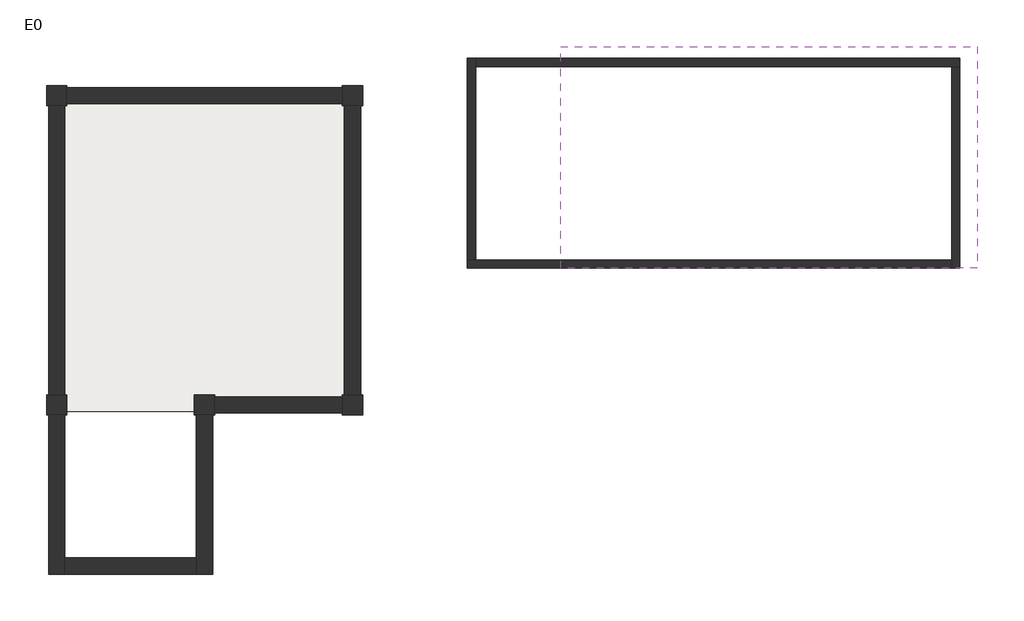
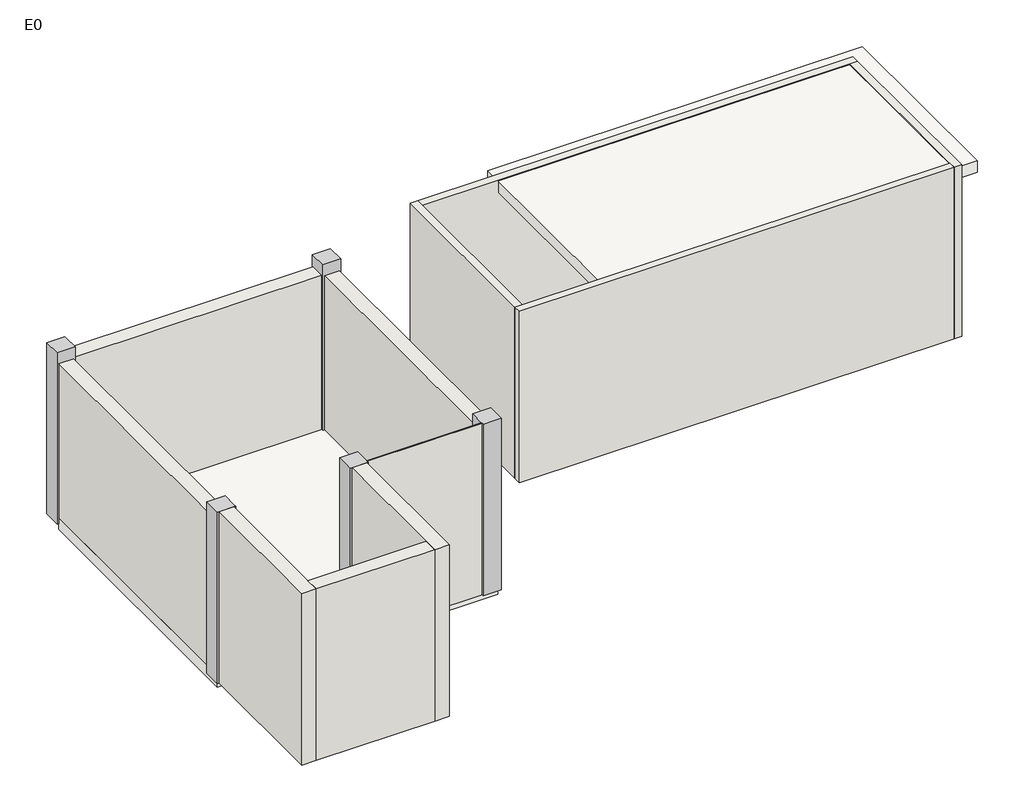
# One storey: 10 walls, 5 columns, 2 slabs.
"""IFC4 building model written with IfcOpenShell, lengths in millimetres."""

from ifc_helpers import new_model, si_unit, frame, origin, origin_with_axes, place, context, project, spatial, polyline, outline, extrude, faceted_brep, element, save

model = new_model("IFC4")

# Units and contexts
model_context = context("Model", 3, world=origin())
ifc_project = project(units=[si_unit("LENGTHUNIT", "METRE", prefix="MILLI")], contexts=[model_context])

# Site, building, storey
site = spatial("IfcSite", under=ifc_project)
building = spatial("IfcBuilding", under=site)
storey = spatial("IfcBuildingStorey", under=building, Name="E0", Elevation=0.0)

# Columns
placement = place(None, origin())
element("IfcColumn", 1, at=placement, inside=storey, context=model_context, shape_type="Brep", body=[
    faceted_brep([(-10633.6645798, 5230.8975696, 0.0), (-10633.6645798, 4930.8975696, 0.0), (-10933.6645798, 4930.8975696, 0.0), (-10933.6645798, 5230.8975696, 0.0), (-10633.6645798, 5230.8975696, 3000.0), (-10633.6645798, 5200.8975696, 3000.0), (-10633.6645798, 4930.8975696, 3000.0), (-10633.6645798, 4930.8975696, 2800.0), (-10633.6645798, 4930.8975696, 100.0), (-10903.6645798, 4930.8975696, 3000.0), (-10933.6645798, 4930.8975696, 3000.0), (-10933.6645798, 5230.8975696, 3000.0)], [[[0, 1, 2, 3]], [[4, 5, 6, 7, 8, 1, 0]], [[6, 9, 10, 2, 1, 8, 7]], [[10, 11, 3, 2]], [[11, 4, 0, 3]], [[4, 11, 10, 9, 6, 5]]]),
])
element("IfcColumn", 2, at=placement, inside=storey, context=model_context, shape_type="Brep", body=[
    faceted_brep([(-6233.6645798, 5230.8975696, 0.0), (-6233.6645798, 4930.8975696, 0.0), (-6263.6645798, 4930.8975696, 0.0), (-6533.6645798, 4930.8975696, 0.0), (-6533.6645798, 5200.8975696, 0.0), (-6533.6645798, 5230.8975696, 0.0), (-6233.6645798, 5230.8975696, 3000.0), (-6233.6645798, 4930.8975696, 3000.0), (-6263.6645798, 4930.8975696, 3000.0), (-6533.6645798, 4930.8975696, 3000.0), (-6533.6645798, 4930.8975696, 2800.0), (-6533.6645798, 4930.8975696, 100.0), (-6533.6645798, 5200.8975696, 3000.0), (-6533.6645798, 5230.8975696, 3000.0)], [[[0, 1, 2, 3, 4, 5]], [[6, 7, 1, 0]], [[7, 8, 9, 10, 11, 3, 2, 1]], [[9, 12, 13, 5, 4, 3, 11, 10]], [[13, 6, 0, 5]], [[6, 13, 12, 9, 8, 7]]]),
])
element("IfcColumn", 3, at=placement, inside=storey, context=model_context, shape_type="Brep", body=[
    faceted_brep([(-6233.6645798, 630.8975696, 0.0), (-6233.6645798, 330.8975696, 0.0), (-6533.6645798, 330.8975696, 0.0), (-6533.6645798, 360.8975696, 0.0), (-6533.6645798, 380.8975696, 0.0), (-6533.6645798, 630.8975696, 0.0), (-6263.6645798, 630.8975696, 0.0), (-6233.6645798, 630.8975696, 3000.0), (-6233.6645798, 330.8975696, 3000.0), (-6533.6645798, 330.8975696, 3000.0), (-6533.6645798, 360.8975696, 3000.0), (-6533.6645798, 380.8975696, 3000.0), (-6533.6645798, 630.8975696, 3000.0), (-6533.6645798, 630.8975696, 2800.0), (-6533.6645798, 630.8975696, 100.0), (-6263.6645798, 630.8975696, 3000.0)], [[[0, 1, 2, 3, 4, 5, 6]], [[7, 8, 1, 0]], [[8, 9, 2, 1]], [[9, 10, 11, 12, 13, 14, 5, 4, 3, 2]], [[12, 15, 7, 0, 6, 5, 14, 13]], [[7, 15, 12, 11, 10, 9, 8]]]),
])
element("IfcColumn", 4, at=placement, inside=storey, context=model_context, shape_type="Brep", body=[
    faceted_brep([(-8433.6645798, 630.8975696, 0.0), (-8433.6645798, 380.8975696, 0.0), (-8433.6645798, 360.8975696, 0.0), (-8433.6645798, 330.8975696, 0.0), (-8463.6645798, 330.8975696, 0.0), (-8703.6645798, 330.8975696, 0.0), (-8733.6645798, 330.8975696, 0.0), (-8733.6645798, 380.8975696, 0.0), (-8733.6645798, 630.8975696, 0.0), (-8433.6645798, 630.8975696, 3000.0), (-8433.6645798, 380.8975696, 3000.0), (-8433.6645798, 360.8975696, 3000.0), (-8433.6645798, 330.8975696, 3000.0), (-8433.6645798, 630.8975696, 100.0), (-8433.6645798, 630.8975696, 2800.0), (-8463.6645798, 330.8975696, 3000.0), (-8703.6645798, 330.8975696, 3000.0), (-8733.6645798, 330.8975696, 3000.0), (-8733.6645798, 380.8975696, 3000.0), (-8733.6645798, 630.8975696, 3000.0), (-8733.6645798, 630.8975696, 2800.0), (-8733.6645798, 630.8975696, 100.0)], [[[0, 1, 2, 3, 4, 5, 6, 7, 8]], [[9, 10, 11, 12, 3, 2, 1, 0, 13, 14]], [[12, 15, 16, 17, 6, 5, 4, 3]], [[17, 18, 19, 20, 21, 8, 7, 6]], [[19, 9, 14, 13, 0, 8, 21, 20]], [[9, 19, 18, 17, 16, 15, 12, 11, 10]]]),
])
element("IfcColumn", 5, at=placement, inside=storey, context=model_context, shape_type="Brep", body=[
    faceted_brep([(-10633.6645798, 630.8975696, 0.0), (-10633.6645798, 380.8975696, 0.0), (-10633.6645798, 330.8975696, 0.0), (-10663.6645798, 330.8975696, 0.0), (-10903.6645798, 330.8975696, 0.0), (-10933.6645798, 330.8975696, 0.0), (-10933.6645798, 630.8975696, 0.0), (-10903.6645798, 630.8975696, 0.0), (-10633.6645798, 630.8975696, 3000.0), (-10633.6645798, 380.8975696, 3000.0), (-10633.6645798, 330.8975696, 3000.0), (-10633.6645798, 630.8975696, 100.0), (-10633.6645798, 630.8975696, 2800.0), (-10663.6645798, 330.8975696, 3000.0), (-10903.6645798, 330.8975696, 3000.0), (-10933.6645798, 330.8975696, 3000.0), (-10933.6645798, 630.8975696, 3000.0), (-10903.6645798, 630.8975696, 3000.0)], [[[0, 1, 2, 3, 4, 5, 6, 7]], [[8, 9, 10, 2, 1, 0, 11, 12]], [[10, 13, 14, 15, 5, 4, 3, 2]], [[15, 16, 6, 5]], [[16, 17, 8, 12, 11, 0, 7, 6]], [[8, 17, 16, 15, 14, 13, 10, 9]]]),
])

# Slabs
element("IfcSlab", 6, ObjectType="5421_Rampe_Stb_C25/30_20cm", at=placement, inside=storey, context=model_context, shape_type="Brep", body=[
    faceted_brep([(-6263.6645798, 5200.8975696, -100.0), (-6263.6645798, 380.8975696, -100.0), (-10903.6645798, 380.8975696, -100.0), (-10903.6645798, 4930.8975696, -100.0), (-10633.6645798, 4930.8975696, -100.0), (-10633.6645798, 5200.8975696, -100.0), (-10633.6645798, 5200.8975696, 100.0), (-10633.6645798, 4960.8975696, 100.0), (-10633.6645798, 4930.8975696, 100.0), (-10663.6645798, 4930.8975696, 100.0), (-10903.6645798, 4930.8975696, 100.0), (-10903.6645798, 630.8975696, 100.0), (-10663.6645798, 630.8975696, 100.0), (-10633.6645798, 630.8975696, 100.0), (-10633.6645798, 380.8975696, 100.0), (-8733.6645798, 380.8975696, 100.0), (-8733.6645798, 630.8975696, 100.0), (-8433.6645798, 630.8975696, 100.0), (-8433.6645798, 600.8975696, 100.0), (-8433.6645798, 380.8975696, 100.0), (-6533.6645798, 380.8975696, 100.0), (-6533.6645798, 600.8975696, 100.0), (-6533.6645798, 630.8975696, 100.0), (-6503.6645798, 630.8975696, 100.0), (-6263.6645798, 630.8975696, 100.0), (-6263.6645798, 4930.8975696, 100.0), (-6503.6645798, 4930.8975696, 100.0), (-6533.6645798, 4930.8975696, 100.0), (-6533.6645798, 4960.8975696, 100.0), (-6533.6645798, 5200.8975696, 100.0), (-6263.6645798, 5200.8975696, 0.0), (-6263.6645798, 4930.8975696, 0.0), (-6263.6645798, 630.8975696, 0.0), (-6263.6645798, 380.8975696, 0.0), (-6533.6645798, 380.8975696, 0.0), (-8433.6645798, 380.8975696, 0.0), (-8733.6645798, 380.8975696, 0.0), (-10633.6645798, 380.8975696, 0.0), (-10903.6645798, 380.8975696, 0.0), (-10903.6645798, 630.8975696, 0.0), (-6533.6645798, 5200.8975696, 0.0), (-10633.6645798, 4930.8975696, 0.0), (-6533.6645798, 4930.8975696, 0.0), (-6533.6645798, 630.8975696, 0.0), (-8433.6645798, 630.8975696, 0.0), (-8733.6645798, 630.8975696, 0.0), (-10633.6645798, 630.8975696, 0.0)], [[[0, 1, 2, 3, 4, 5]], [[6, 7, 8, 9, 10, 11, 12, 13, 14, 15, 16, 17, 18, 19, 20, 21, 22, 23, 24, 25, 26, 27, 28, 29]], [[1, 0, 30, 31, 25, 24, 32, 33]], [[2, 1, 33, 34, 20, 19, 35, 36, 15, 14, 37, 38]], [[3, 2, 38, 39, 11, 10]], [[0, 5, 6, 29, 40, 30]], [[5, 4, 41, 8, 7, 6]], [[4, 3, 10, 9, 8, 41]], [[40, 42, 31, 30]], [[31, 42, 27, 26, 25]], [[42, 40, 29, 28, 27]], [[32, 43, 34, 33]], [[34, 43, 22, 21, 20]], [[43, 32, 24, 23, 22]], [[44, 45, 36, 35]], [[44, 35, 19, 18, 17]], [[36, 45, 16, 15]], [[45, 44, 17, 16]], [[46, 39, 38, 37]], [[46, 37, 14, 13]], [[39, 46, 13, 12, 11]]]),
])
element("IfcSlab", 7, ObjectType="5421_Rampe_Stb_C25/30_20cm", at=placement, inside=storey, context=model_context, shape_type="SweptSolid", body=[
    extrude(outline(polyline([(2910.85182, 2514.0476692), (-3289.14818, 2514.0476692), (-3289.14818, 5814.0476692), (2910.85182, 5814.0476692), (2910.85182, 2514.0476692)])), frame((0.0, 0.0, 2780.0), z_axis=(0.0, 0.0, 1.0), x_axis=(1.0, 0.0, 0.0)), (0.0, 0.0, 1.0), 200.0),
])

# Walls
element("IfcWall", 8, at=placement, inside=storey, context=model_context, shape_type="Brep", body=[
    faceted_brep([(-10663.6645798, -2039.1024304, 3000.0), (-10663.6645798, -2039.1024304, 0.0), (-10663.6645798, -1799.1024304, 0.0), (-10663.6645798, 330.8975696, 0.0), (-10663.6645798, 330.8975696, 3000.0), (-10663.6645798, -1799.1024304, 3000.0), (-10903.6645798, -2039.1024304, 0.0), (-10903.6645798, -2039.1024304, 3000.0), (-10903.6645798, 330.8975696, 3000.0), (-10903.6645798, 330.8975696, 0.0)], [[[0, 1, 2, 3, 4, 5]], [[6, 7, 8, 9]], [[1, 6, 9, 3, 2]], [[7, 0, 5, 4, 8]], [[1, 0, 7, 6]], [[4, 3, 9, 8]]]),
    faceted_brep([(-10663.6645798, 4930.8975696, 100.0), (-10663.6645798, 4930.8975696, 2800.0), (-10663.6645798, 630.8975696, 2800.0), (-10663.6645798, 630.8975696, 100.0), (-10903.6645798, 4930.8975696, 2800.0), (-10903.6645798, 4930.8975696, 100.0), (-10903.6645798, 630.8975696, 100.0), (-10903.6645798, 630.8975696, 2800.0)], [[[0, 1, 2, 3]], [[4, 5, 6, 7]], [[5, 0, 3, 6]], [[1, 4, 7, 2]], [[1, 0, 5, 4]], [[3, 2, 7, 6]]]),
])
element("IfcWall", 9, at=placement, inside=storey, context=model_context, shape_type="SweptSolid", body=[
    extrude(outline(polyline([(-10633.6645798, 4960.8975696), (-10633.6645798, 5200.8975696), (-6533.6645798, 5200.8975696), (-6533.6645798, 4960.8975696), (-10633.6645798, 4960.8975696)])), frame((0.0, 0.0, 100.0), z_axis=(0.0, 0.0, 1.0), x_axis=(1.0, 0.0, 0.0)), (0.0, 0.0, 1.0), 2700.0),
])
element("IfcWall", 10, at=placement, inside=storey, context=model_context, shape_type="SweptSolid", body=[
    extrude(outline(polyline([(-6503.6645798, 4930.8975696), (-6263.6645798, 4930.8975696), (-6263.6645798, 630.8975696), (-6503.6645798, 630.8975696), (-6503.6645798, 4930.8975696)])), frame((0.0, 0.0, 100.0), z_axis=(0.0, 0.0, 1.0), x_axis=(1.0, 0.0, 0.0)), (0.0, 0.0, 1.0), 2700.0),
])
element("IfcWall", 11, at=placement, inside=storey, context=model_context, shape_type="SweptSolid", body=[
    extrude(outline(polyline([(600.8975696, 2800.0), (600.8975696, 100.0), (380.8975696, 100.0), (380.8975696, 0.0), (360.8975696, 0.0), (360.8975696, 3000.0), (380.8975696, 3000.0), (380.8975696, 2800.0), (600.8975696, 2800.0)])), frame((-8433.6645798, 0.0, 0.0), z_axis=(1.0, 0.0, 0.0), x_axis=(0.0, 1.0, 0.0)), (0.0, 0.0, 1.0), 1900.0),
])
element("IfcWall", 12, at=placement, inside=storey, context=model_context, shape_type="Brep", body=[
    faceted_brep([(-8703.6645798, -2039.1024304, 0.0), (-8703.6645798, -2039.1024304, 3000.0), (-8703.6645798, -1799.1024304, 3000.0), (-8703.6645798, 330.8975696, 3000.0), (-8703.6645798, 330.8975696, 0.0), (-8703.6645798, -1799.1024304, 0.0), (-8463.6645798, -2039.1024304, 3000.0), (-8463.6645798, -2039.1024304, 0.0), (-8463.6645798, 330.8975696, 0.0), (-8463.6645798, 330.8975696, 3000.0)], [[[0, 1, 2, 3, 4, 5]], [[6, 7, 8, 9]], [[7, 0, 5, 4, 8]], [[1, 6, 9, 3, 2]], [[1, 0, 7, 6]], [[4, 3, 9, 8]]]),
])
element("IfcWall", 13, at=placement, inside=storey, context=model_context, shape_type="SweptSolid", body=[
    extrude(outline(polyline([(-10663.6645798, -1799.1024304), (-8703.6645798, -1799.1024304), (-8703.6645798, -2039.1024304), (-10663.6645798, -2039.1024304), (-10663.6645798, -1799.1024304)])), origin_with_axes(), (0.0, 0.0, 1.0), 3000.0),
])
element("IfcWall", 14, at=placement, inside=storey, context=model_context, shape_type="Brep", body=[
    faceted_brep([(-4674.697207, 2514.0476692, 0.0), (2525.302793, 2514.0476692, 0.0), (2525.302793, 2514.0476692, 3000.0), (-4674.697207, 2514.0476692, 3000.0), (-4674.697207, 2639.0476692, 0.0), (-4674.697207, 2639.0476692, 3000.0), (-4549.697207, 2639.0476692, 3000.0), (2525.302793, 2639.0476692, 3000.0), (2525.302793, 2639.0476692, 0.0), (-4549.697207, 2639.0476692, 0.0)], [[[0, 1, 2, 3]], [[4, 5, 6, 7, 8, 9]], [[1, 0, 4, 9, 8]], [[3, 2, 7, 6, 5]], [[0, 3, 5, 4]], [[2, 1, 8, 7]]]),
])
element("IfcWall", 15, at=placement, inside=storey, context=model_context, shape_type="Brep", body=[
    faceted_brep([(-4674.697207, 5639.0476692, 0.0), (-4674.697207, 2639.0476692, 0.0), (-4674.697207, 2639.0476692, 3000.0), (-4674.697207, 5639.0476692, 3000.0), (-4549.697207, 5639.0476692, 0.0), (-4549.697207, 5639.0476692, 3000.0), (-4549.697207, 5514.0476692, 3000.0), (-4549.697207, 2639.0476692, 3000.0), (-4549.697207, 2639.0476692, 0.0), (-4549.697207, 5514.0476692, 0.0)], [[[0, 1, 2, 3]], [[4, 5, 6, 7, 8, 9]], [[1, 0, 4, 9, 8]], [[3, 2, 7, 6, 5]], [[0, 3, 5, 4]], [[2, 1, 8, 7]]]),
])
element("IfcWall", 16, at=placement, inside=storey, context=model_context, shape_type="Brep", body=[
    faceted_brep([(2650.302793, 5639.0476692, 0.0), (-4549.697207, 5639.0476692, 0.0), (-4549.697207, 5639.0476692, 3000.0), (2650.302793, 5639.0476692, 3000.0), (2650.302793, 5514.0476692, 0.0), (2650.302793, 5514.0476692, 3000.0), (2525.302793, 5514.0476692, 3000.0), (-4549.697207, 5514.0476692, 3000.0), (-4549.697207, 5514.0476692, 0.0), (2525.302793, 5514.0476692, 0.0)], [[[0, 1, 2, 3]], [[4, 5, 6, 7, 8, 9]], [[1, 0, 4, 9, 8]], [[3, 2, 7, 6, 5]], [[0, 3, 5, 4]], [[2, 1, 8, 7]]]),
])
element("IfcWall", 17, at=placement, inside=storey, context=model_context, shape_type="Brep", body=[
    faceted_brep([(2650.302793, 2514.0476692, 0.0), (2650.302793, 5514.0476692, 0.0), (2650.302793, 5514.0476692, 3000.0), (2650.302793, 2514.0476692, 3000.0), (2525.302793, 2514.0476692, 0.0), (2525.302793, 2514.0476692, 3000.0), (2525.302793, 2639.0476692, 3000.0), (2525.302793, 5514.0476692, 3000.0), (2525.302793, 5514.0476692, 0.0), (2525.302793, 2639.0476692, 0.0)], [[[0, 1, 2, 3]], [[4, 5, 6, 7, 8, 9]], [[1, 0, 4, 9, 8]], [[3, 2, 7, 6, 5]], [[0, 3, 5, 4]], [[2, 1, 8, 7]]]),
])

save(model, "model.ifc")
